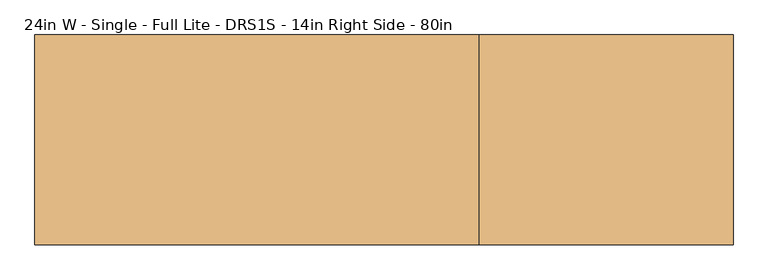
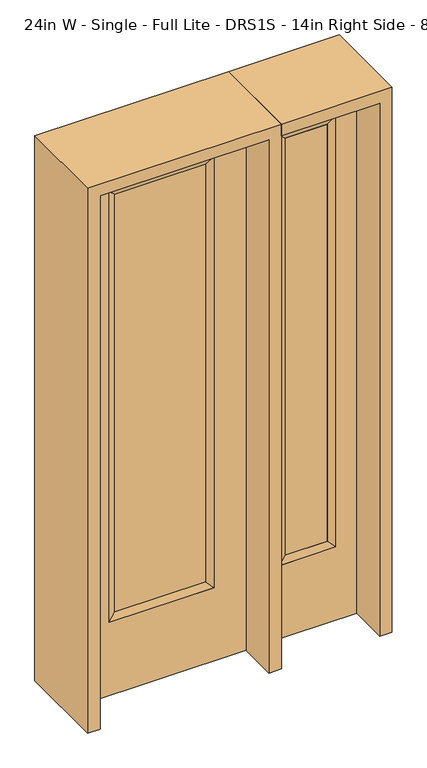
"""IFC4 building model written with IfcOpenShell, lengths in millimetres: door geometry, 24in W - Single - Full Lite - DRS1S - 14in Right Side - 80in."""

from ifc_helpers import new_model, si_unit, frame, origin, place, context, project, spatial, polyline, outline, extrude, faceted_brep, source, transform, mapped, element, save


def door_24in_w_single_full_lite_drs1s_14in_right_side_80in_932c3370(model_context):
    return source(origin(), model_context, "Body", "SolidModel", [
        extrude(outline(polyline([(163.9824, -12.7039749), (-163.9824, -12.7039749), (-163.9824, 14.2875), (163.9824, 14.2875), (163.9824, -12.7039749)])), frame((0.0, 0.0, 304.8), z_axis=(0.0, 0.0, 1.0), x_axis=(1.0, 0.0, 0.0)), (0.0, 0.0, 1.0), 1591.1576),
        faceted_brep([(163.9824, 14.2875, 1895.9576), (189.3824, 22.225, 1921.3576), (189.3824, 22.225, 279.4), (163.9824, 14.2875, 304.8), (189.3824, -22.225, 1921.3576), (189.3824, -22.225, 279.4), (-189.3824, 22.225, 279.4), (-163.9824, 14.2875, 304.8), (163.9824, -12.7039749, 1895.9576), (163.9824, -12.7039749, 304.8), (-163.9824, -12.7039749, 304.8), (-189.3824, -22.225, 279.4), (-189.3824, 22.225, 1921.3576), (-163.9824, 14.2875, 1895.9576), (-163.9824, -12.7039749, 1895.9576), (-189.3824, -22.225, 1921.3576)], [[[0, 1, 2, 3]], [[1, 4, 5, 2]], [[3, 2, 6, 7]], [[8, 0, 3, 9]], [[9, 3, 7, 10]], [[4, 8, 9, 5]], [[5, 9, 10, 11]], [[2, 5, 11, 6]], [[7, 6, 12, 13]], [[10, 7, 13, 14]], [[11, 10, 14, 15]], [[6, 11, 15, 12]], [[13, 12, 1, 0]], [[14, 13, 0, 8]], [[15, 14, 8, 4]], [[12, 15, 4, 1]]]),
        extrude(outline(polyline([(0.0, -304.8), (0.0, 304.8), (2032.0, 304.8), (2032.0, -304.8), (0.0, -304.8)]), holes=[polyline([(279.4, -189.3824), (1921.3576, -189.3824), (1921.3576, 189.3824), (279.4, 189.3824), (279.4, -189.3824)])]), frame((0.0, -22.225, 0.0), z_axis=(0.0, 1.0, 0.0), x_axis=(0.0, 0.0, 1.0)), (0.0, 0.0, 1.0), 44.45),
        faceted_brep([(425.45, 20.6375, 1920.875), (425.45, 20.6375, 279.4), (425.45, -20.6375, 279.4), (425.45, -20.6375, 1920.875), (450.85, -12.7, 304.8), (450.85, -12.7, 1895.475), (628.65, 20.6375, 279.4), (628.65, -20.6375, 279.4), (450.85, 12.7, 1895.475), (450.85, 12.7, 304.8), (603.25, 12.7, 304.8), (603.25, -12.7, 304.8), (628.65, 20.6375, 1920.875), (628.65, -20.6375, 1920.875), (603.25, 12.7, 1895.475), (603.25, -12.7, 1895.475)], [[[0, 1, 2, 3]], [[3, 2, 4, 5]], [[1, 6, 7, 2]], [[8, 9, 1, 0]], [[9, 10, 6, 1]], [[5, 4, 9, 8]], [[4, 11, 10, 9]], [[2, 7, 11, 4]], [[6, 12, 13, 7]], [[10, 14, 12, 6]], [[11, 15, 14, 10]], [[7, 13, 15, 11]], [[12, 0, 3, 13]], [[14, 8, 0, 12]], [[15, 5, 8, 14]], [[13, 3, 5, 15]]]),
        extrude(outline(polyline([(0.0, 704.85), (2032.0, 704.85), (2032.0, 349.25), (0.0, 349.25), (0.0, 704.85)]), holes=[polyline([(1920.875, 425.45), (1920.875, 628.65), (279.4, 628.65), (279.4, 425.45), (1920.875, 425.45)])]), frame((0.0, -20.6375, 0.0), z_axis=(0.0, 1.0, 0.0), x_axis=(0.0, 0.0, 1.0)), (0.0, 0.0, 1.0), 41.275),
        extrude(outline(polyline([(450.85, -12.7), (450.85, 12.7), (603.25, 12.7), (603.25, -12.7), (450.85, -12.7)])), frame((0.0, 0.0, 304.8), z_axis=(0.0, 0.0, 1.0), x_axis=(1.0, 0.0, 0.0)), (0.0, 0.0, 1.0), 1590.675),
        extrude(outline(polyline([(2076.45, -349.25), (0.0, -349.25), (0.0, -304.8), (2032.0, -304.8), (2032.0, 304.8), (0.0, 304.8), (0.0, 349.25), (2076.45, 349.25), (2076.45, -349.25)])), frame((0.0, -165.1, 0.0), z_axis=(0.0, 1.0, 0.0), x_axis=(0.0, 0.0, 1.0)), (0.0, 0.0, 1.0), 330.2),
        extrude(outline(polyline([(0.0, 704.85), (0.0, 749.3), (2076.45, 749.3), (2076.45, 349.25), (2032.0, 349.25), (2032.0, 704.85), (0.0, 704.85)])), frame((0.0, -165.1, 0.0), z_axis=(0.0, 1.0, 0.0), x_axis=(0.0, 0.0, 1.0)), (0.0, 0.0, 1.0), 330.2),
    ])


if __name__ == "__main__":
    model = new_model("IFC4")
    model_context = context("Model", 3, world=origin())
    ifc_project = project(units=[si_unit("LENGTHUNIT", "METRE", prefix="MILLI")], contexts=[model_context])
    site = spatial("IfcSite", under=ifc_project)
    building = spatial("IfcBuilding", under=site)
    placement = place(None, origin())
    door_24in_w_single_full_lite_drs1s_14in_right_side_80in_shape = door_24in_w_single_full_lite_drs1s_14in_right_side_80in_932c3370(model_context)
    element("IfcDoor", 1, ObjectType="24in W - Single - Full Lite - DRS1S - 14in Right Side - 80in", at=placement, inside=building, context=model_context, shape_type="MappedRepresentation", body=[
        mapped(door_24in_w_single_full_lite_drs1s_14in_right_side_80in_shape, transform((0.0, 0.0, 0.0), x_axis=(1.0, 0.0, 0.0), y_axis=(0.0, 1.0, 0.0), z_axis=(0.0, 0.0, 1.0))),
    ])
    save(model, "model.ifc")
